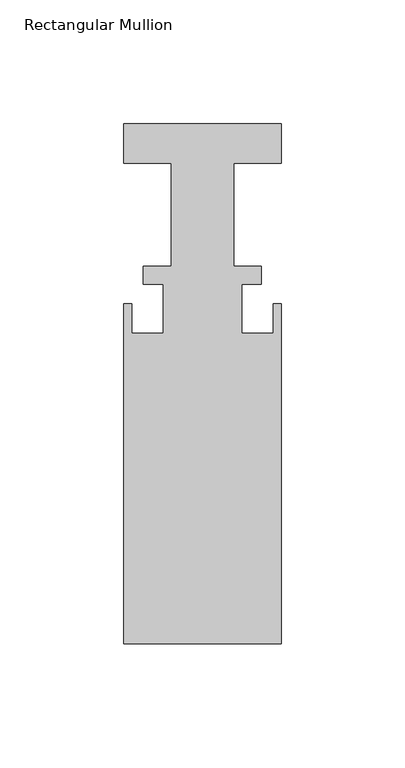
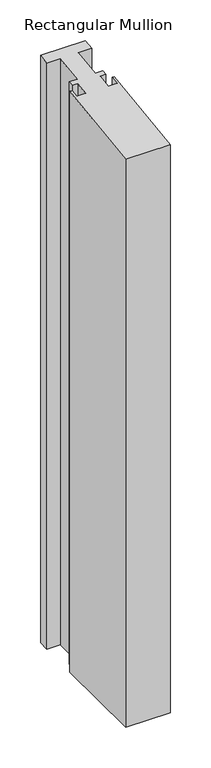
"""IFC4 building model written with IfcOpenShell, lengths in millimetres: member geometry, Rectangular Mullion."""

from ifc_helpers import new_model, si_unit, origin, place, context, project, spatial, faceted_brep, source, transform, mapped, element, save


def rectangular_mullion_3d91167c(model_context):
    return source(origin(), model_context, "Body", "Brep", [
        faceted_brep([(-31.75, 20.6756, -882.6137081), (31.75, 20.6756, -882.6137081), (31.75, 4.8006, -882.6137081), (12.7, 4.8006, -882.6137081), (12.7, -36.8554, -882.6137081), (23.8252, -36.8554, -882.6137081), (23.8252, -44.0182, -882.6137081), (15.875, -44.0182, -882.6137081), (15.875, -63.8302, -882.6137081), (28.575, -63.8302, -882.6137081), (28.575, -51.9176, -882.6137081), (31.75, -51.9176, -882.6137081), (31.75, -189.2554, -882.6137081), (-31.75, -189.2554, -882.6137081), (-31.75, -51.9176, -882.6137081), (-28.575, -51.9176, -882.6137081), (-28.575, -63.8302, -882.6137081), (-15.875, -63.8302, -882.6137081), (-15.875, -44.0182, -882.6137081), (-23.8252, -44.0182, -882.6137081), (-23.8252, -36.8554, -882.6137081), (-12.7, -36.8554, -882.6137081), (-12.7, 4.8006, -882.6137081), (-31.75, 4.8006, -882.6137081), (-31.75, 4.8006, 0.6746803), (-31.75, 20.6756, 2.9057661), (-12.7, 4.8006, 0.6746803), (-12.7, -36.8554, -5.1796887), (-23.8252, -36.8554, -5.1796887), (-23.8252, -44.0182, -6.1863546), (-15.875, -44.0182, -6.1863546), (-15.875, -63.8302, -8.9707496), (-28.575, -63.8302, -8.9707496), (-28.575, -51.9176, -7.2965428), (-31.75, -51.9176, -7.2965428), (-31.75, -189.2554, -26.5981119), (31.75, -189.2554, -26.5981119), (31.75, -51.9176, -7.2965428), (28.575, -51.9176, -7.2965428), (28.575, -63.8302, -8.9707496), (15.875, -63.8302, -8.9707496), (15.875, -44.0182, -6.1863546), (23.8252, -44.0182, -6.1863546), (23.8252, -36.8554, -5.1796887), (12.7, -36.8554, -5.1796887), (12.7, 4.8006, 0.6746803), (31.75, 4.8006, 0.6746803), (31.75, 20.6756, 2.9057661)], [[[0, 1, 2, 3, 4, 5, 6, 7, 8, 9, 10, 11, 12, 13, 14, 15, 16, 17, 18, 19, 20, 21, 22, 23]], [[24, 25, 0, 23]], [[26, 24, 23, 22]], [[27, 26, 22, 21]], [[28, 27, 21, 20]], [[29, 28, 20, 19]], [[30, 29, 19, 18]], [[31, 30, 18, 17]], [[32, 31, 17, 16]], [[33, 32, 16, 15]], [[34, 33, 15, 14]], [[35, 34, 14, 13]], [[36, 35, 13, 12]], [[37, 36, 12, 11]], [[38, 37, 11, 10]], [[39, 38, 10, 9]], [[40, 39, 9, 8]], [[41, 40, 8, 7]], [[42, 41, 7, 6]], [[43, 42, 6, 5]], [[44, 43, 5, 4]], [[45, 44, 4, 3]], [[46, 45, 3, 2]], [[47, 46, 2, 1]], [[25, 47, 1, 0]], [[25, 24, 26, 27, 28, 29, 30, 31, 32, 33, 34, 35, 36, 37, 38, 39, 40, 41, 42, 43, 44, 45, 46, 47]]]),
    ])


if __name__ == "__main__":
    model = new_model("IFC4")
    model_context = context("Model", 3, world=origin())
    ifc_project = project(units=[si_unit("LENGTHUNIT", "METRE", prefix="MILLI")], contexts=[model_context])
    site = spatial("IfcSite", under=ifc_project)
    building = spatial("IfcBuilding", under=site)
    placement = place(None, origin())
    rectangular_mullion_shape = rectangular_mullion_3d91167c(model_context)
    element("IfcMember", 1, ObjectType="Rectangular Mullion", at=placement, inside=building, context=model_context, shape_type="MappedRepresentation", body=[
        mapped(rectangular_mullion_shape, transform((0.0, 0.0, 0.0), x_axis=(1.0, 0.0, 0.0), y_axis=(0.0, 1.0, 0.0), z_axis=(0.0, 0.0, 1.0))),
    ])
    save(model, "model.ifc")
